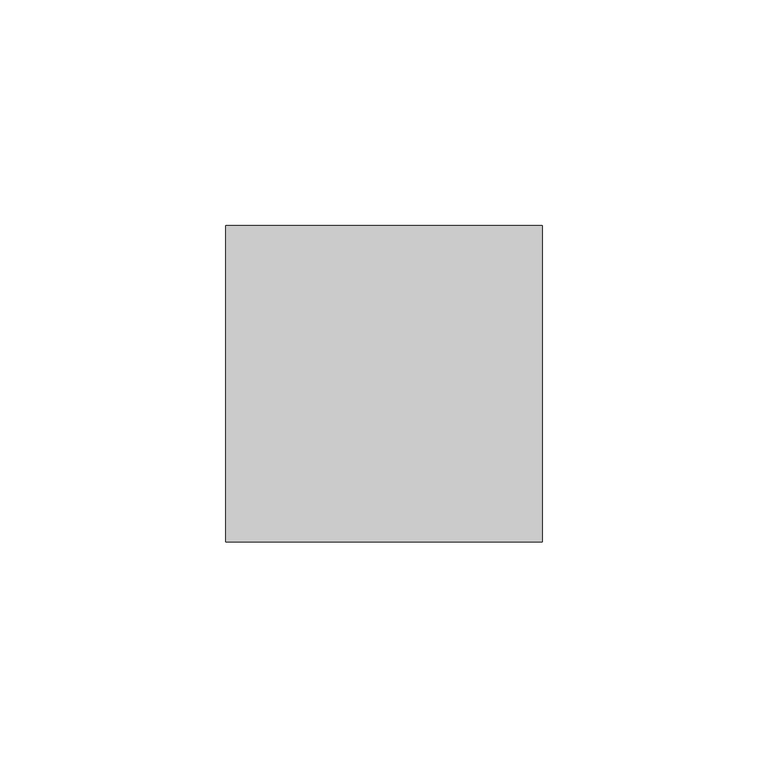
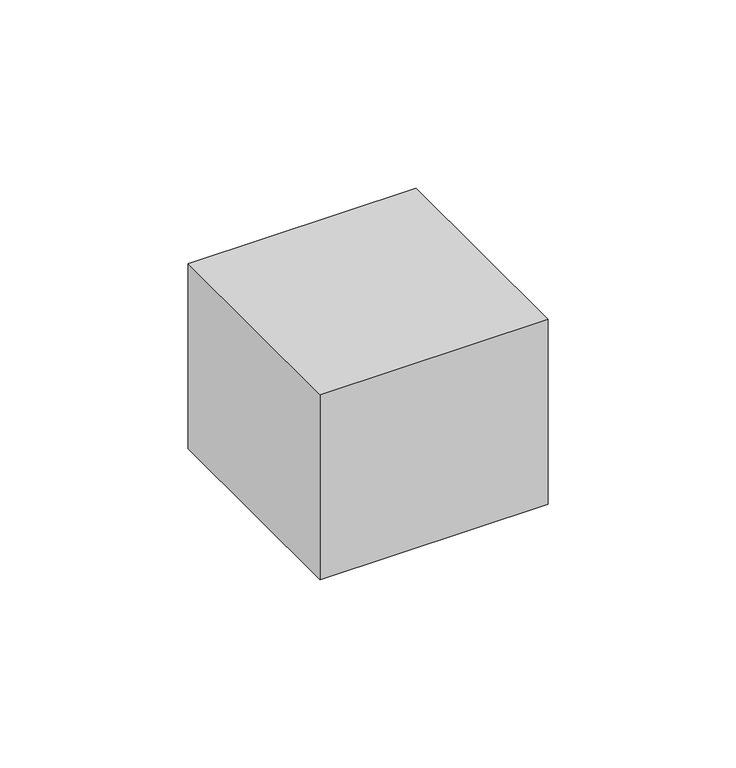
"""IFC4 building model written with IfcOpenShell, lengths in millimetres: proxy geometry."""

from ifc_helpers import new_model, si_unit, origin, origin_with_axes, place, context, project, spatial, polyline, outline, extrude, source, transform, mapped, element, save


def electrical_fixtures_6fab9de9(model_context):
    return source(origin(), model_context, "Body", "SweptSolid", [
        extrude(outline(polyline([(35.0, 35.0), (35.0, -35.0), (-35.0, -35.0), (-35.0, 35.0), (35.0, 35.0)])), origin_with_axes(), (0.0, 0.0, 1.0), 60.0),
    ])


if __name__ == "__main__":
    model = new_model("IFC4")
    model_context = context("Model", 3, world=origin())
    ifc_project = project(units=[si_unit("LENGTHUNIT", "METRE", prefix="MILLI")], contexts=[model_context])
    site = spatial("IfcSite", under=ifc_project)
    building = spatial("IfcBuilding", under=site)
    placement = place(None, origin())
    electrical_fixtures_shape = electrical_fixtures_6fab9de9(model_context)
    element("IfcBuildingElementProxy", 1, Name="Electrical Fixtures", at=placement, inside=building, context=model_context, shape_type="MappedRepresentation", body=[
        mapped(electrical_fixtures_shape, transform((0.0, 0.0, 0.0), x_axis=(1.0, 0.0, 0.0), y_axis=(0.0, 1.0, 0.0), z_axis=(0.0, 0.0, 1.0))),
    ])
    save(model, "model.ifc")
